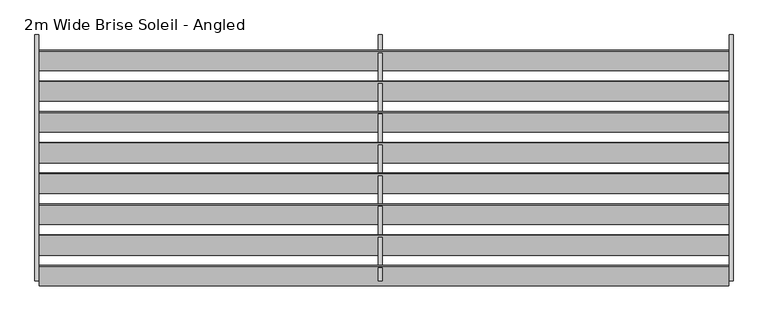
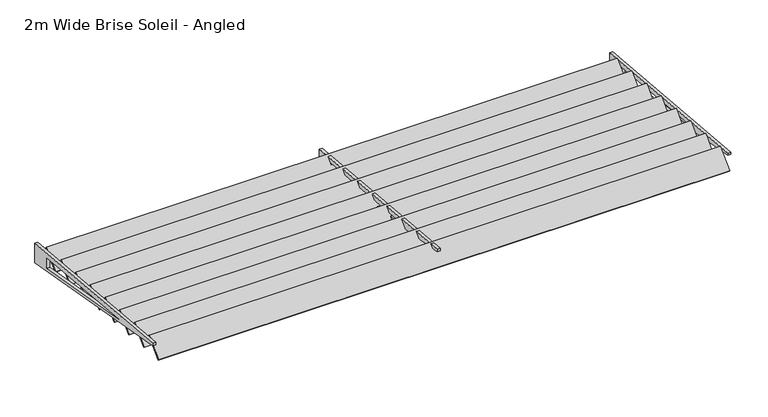
"""IFC4 building model written with IfcOpenShell, lengths in millimetres: railing geometry, 2m Wide Brise Soleil - Angled."""

import ifcopenshell
import ifcopenshell.guid

model = None  # the IFC model being written
_history = None  # IfcOwnerHistory: only IFC2X3 demands one
_inside = {}  # id of a spatial element -> (the spatial element, [elements in it])
_under = {}  # id of a project, library or spatial element -> (it, [spatial elements below it])
_declared = {}  # id of a project -> (the project, [libraries it declares])
_typed = {}  # id of a type object -> (the type object, [elements of that type])
_made_of = {}  # id of a material, layer set ... -> (it, [elements and type objects made of it])


def new_model(schema):
    """Start an empty IFC model of exactly this schema.

    Asked for "IFC4X3", IfcOpenShell would pick the latest addendum, in which some entities
    have other attributes; the version numbers below select the first issue.
    IFC2X3 requires an IfcOwnerHistory on every rooted entity: one is made here for all.
    """
    global model, _history
    if schema == "IFC4X3":
        model = ifcopenshell.file(schema_version=(4, 3, 0, 0))
    else:
        model = ifcopenshell.file(schema=schema)
    _inside.clear()
    _under.clear()
    _declared.clear()
    _typed.clear()
    _made_of.clear()
    _history = None
    if model.schema == "IFC2X3":
        org = make("IfcOrganization", Name="unknown")
        user = make(
            "IfcPersonAndOrganization",
            ThePerson=make("IfcPerson", FamilyName="unknown"),
            TheOrganization=org,
        )
        app = make(
            "IfcApplication",
            ApplicationDeveloper=org,
            Version="unknown",
            ApplicationFullName="unknown",
            ApplicationIdentifier="unknown",
        )
        _history = make(
            "IfcOwnerHistory",
            OwningUser=user,
            OwningApplication=app,
            ChangeAction="ADDED",
            CreationDate=0,
        )
    return model


def make(cls, **values):
    """One entity of the class cls with the attributes given. An attribute that is None is left unset."""
    return model.create_entity(
        cls, **{name: value for name, value in values.items() if value is not None}
    )


def rooted(cls, **values):
    """An entity with a GlobalId (a new one), such as an element, a storey or a relation."""
    return make(cls, GlobalId=ifcopenshell.guid.new(), OwnerHistory=_history, **values)


def si_unit(unit_type, name, prefix=None):
    """IfcSIUnit, for example si_unit("LENGTHUNIT", "METRE", prefix="MILLI")."""
    return make("IfcSIUnit", UnitType=unit_type, Prefix=prefix, Name=name)


def assignment(units):
    """IfcUnitAssignment: the units of a project."""
    return None if units is None else make("IfcUnitAssignment", Units=units)


def point(xyz):
    """IfcCartesianPoint."""
    return None if xyz is None else make("IfcCartesianPoint", Coordinates=xyz)


def direction(xyz):
    """IfcDirection."""
    return None if xyz is None else make("IfcDirection", DirectionRatios=xyz)


def frame(location, z_axis=None, x_axis=None):
    """IfcAxis2Placement3D, a coordinate frame: its origin and axes. An axis left out is left unset."""
    return make(
        "IfcAxis2Placement3D",
        Location=point(location),
        Axis=direction(z_axis),
        RefDirection=direction(x_axis),
    )


def origin():
    """The frame at (0, 0, 0) with its axes left unset."""
    return frame((0.0, 0.0, 0.0))


def place(relative_to, where):
    """IfcLocalPlacement: puts the frame where relative to a parent placement (None: the world)."""
    return make(
        "IfcLocalPlacement", PlacementRelTo=relative_to, RelativePlacement=where
    )


def context(
    kind, dimensions, precision=None, world=None, true_north=None, identifier=None
):
    """IfcGeometricRepresentationContext, for example the 3D "Model" context."""
    return make(
        "IfcGeometricRepresentationContext",
        ContextIdentifier=identifier,
        ContextType=kind,
        CoordinateSpaceDimension=dimensions,
        Precision=precision,
        WorldCoordinateSystem=world,
        TrueNorth=true_north,
    )


def project(units=None, contexts=None):
    """IfcProject with its units and contexts."""
    return rooted(
        "IfcProject",
        Name="project",
        RepresentationContexts=contexts,
        UnitsInContext=assignment(units),
    )


def spatial(cls, under=None, at=None, **own):
    """A site, building, storey or space (cls), placed at a placement, below another one or the project."""
    s = rooted(cls, ObjectPlacement=at, **own)
    if under is not None:
        _under.setdefault(under.id(), (under, []))[1].append(s)
    return s


def polyline(points):
    """IfcPolyline through the points."""
    return make("IfcPolyline", Points=[point(p) for p in points])


def outline(outer, holes=None, kind="AREA"):
    """IfcArbitraryClosedProfileDef: a profile drawn as a closed curve; with holes, ...WithVoids."""
    if holes is None:
        return make("IfcArbitraryClosedProfileDef", ProfileType=kind, OuterCurve=outer)
    return make(
        "IfcArbitraryProfileDefWithVoids",
        ProfileType=kind,
        OuterCurve=outer,
        InnerCurves=holes,
    )


def extrude(swept, where, along, depth):
    """IfcExtrudedAreaSolid: the profile swept, set in the frame where, extruded along a direction by depth."""
    return make(
        "IfcExtrudedAreaSolid",
        SweptArea=swept,
        Position=where,
        ExtrudedDirection=direction(along),
        Depth=depth,
    )


def shape(context_of_items, identifier, shape_type, items):
    """IfcShapeRepresentation: the items that make up one representation, for example the "Body"."""
    return make(
        "IfcShapeRepresentation",
        ContextOfItems=context_of_items,
        RepresentationIdentifier=identifier,
        RepresentationType=shape_type,
        Items=items,
    )


def source(mapping_origin, context_of_items, identifier, shape_type, items):
    """IfcRepresentationMap: a shape defined once, which mapped items show again and again."""
    return make(
        "IfcRepresentationMap",
        MappingOrigin=mapping_origin,
        MappedRepresentation=shape(context_of_items, identifier, shape_type, items),
    )


def transform(
    local_origin,
    x_axis=None,
    y_axis=None,
    z_axis=None,
    scale=None,
    scale2=None,
    scale3=None,
    uniform=True,
):
    """IfcCartesianTransformationOperator3D, or its non-uniform kind. x_axis, y_axis, z_axis: its Axis1, 2, 3."""
    if uniform:
        return make(
            "IfcCartesianTransformationOperator3D",
            Axis1=direction(x_axis),
            Axis2=direction(y_axis),
            LocalOrigin=point(local_origin),
            Scale=scale,
            Axis3=direction(z_axis),
        )
    return make(
        "IfcCartesianTransformationOperator3DnonUniform",
        Axis1=direction(x_axis),
        Axis2=direction(y_axis),
        LocalOrigin=point(local_origin),
        Scale=scale,
        Axis3=direction(z_axis),
        Scale2=scale2,
        Scale3=scale3,
    )


def mapped(mapping_source, mapping_target):
    """IfcMappedItem: shows the shape of a source again, moved by a transform."""
    return make(
        "IfcMappedItem", MappingSource=mapping_source, MappingTarget=mapping_target
    )


def made_of(thing, what):
    """Note that an element or type object is made of a material, layer set ...; save() writes the relation."""
    if what is not None:
        _made_of.setdefault(what.id(), (what, []))[1].append(thing)
    return thing


def element(
    cls,
    number,
    at=None,
    inside=None,
    cuts=None,
    type_object=None,
    material=None,
    context=None,
    identifier="Body",
    shape_type=None,
    held_by="IfcProductDefinitionShape",
    body=None,
    shapes=None,
    **own,
):
    """One element of the class cls, such as IfcWall. Its Tag is "e" and its number.

    at: its placement. inside: the storey or other place that contains it. cuts: it is an
    opening in that element (IfcRelVoidsElement). A single representation is given by context,
    identifier, shape_type and body (its items); several are given by shapes. held_by: the class
    of the entity that holds the representations. save() writes the other relations.
    """
    e = rooted(cls, Tag="e%d" % number, ObjectPlacement=at, **own)
    if body is not None:
        shapes = [shape(context, identifier, shape_type, body)]
    if shapes is not None:
        e.Representation = make(held_by, Representations=shapes)
    if inside is not None:
        _inside.setdefault(inside.id(), (inside, []))[1].append(e)
    if cuts is not None:
        rooted(
            "IfcRelVoidsElement", RelatingBuildingElement=cuts, RelatedOpeningElement=e
        )
    if type_object is not None:
        _typed.setdefault(type_object.id(), (type_object, []))[1].append(e)
    return made_of(e, material)


def aggregate(whole, parts):
    """IfcRelAggregates: a whole, such as a stair, and the parts it consists of."""
    return rooted("IfcRelAggregates", RelatingObject=whole, RelatedObjects=parts)


def save(model, path):
    """Write the relations noted so far, then the file.

    IfcRelAggregates (storeys below a building ...), IfcRelContainedInSpatialStructure (elements
    in a storey), IfcRelDefinesByType, IfcRelAssociatesMaterial and IfcRelDeclares: one each for
    every whole, place, type object, material and project.
    """
    for whole, parts in _under.values():
        aggregate(whole, parts)
    for where, things in _inside.values():
        rooted(
            "IfcRelContainedInSpatialStructure",
            RelatedElements=things,
            RelatingStructure=where,
        )
    for kind, things in _typed.values():
        rooted("IfcRelDefinesByType", RelatedObjects=things, RelatingType=kind)
    for what, things in _made_of.values():
        rooted("IfcRelAssociatesMaterial", RelatedObjects=things, RelatingMaterial=what)
    for by, libraries in _declared.values():
        rooted("IfcRelDeclares", RelatingContext=by, RelatedDefinitions=libraries)
    model.write(path)


def railing_2m_wide_brise_soleil_angled_944c0c30(model_context):
    return source(origin(), model_context, "Body", "SweptSolid", [
        extrude(outline(polyline([(0.0, -10.0000001), (0.0, 0.0), (5596.1382149, 0.0), (5596.1382149, -10.0000001), (0.0, -10.0000001)])), frame((4432.3404491, -35753.4041502, 10.034106), z_axis=(0.0, 0.7071067811931987, 0.7071067811798963), x_axis=(1.0, 0.0, 0.0)), (0.0, 0.0, 1.0), 225.0),
        extrude(outline(polyline([(0.0, -10.0000001), (0.0, 0.0), (5596.1382149, 0.0), (5596.1382149, -10.0000001), (0.0, -10.0000001)])), frame((4432.3404491, -35503.4041502, -9.965894), z_axis=(0.0, 0.7071067811931987, 0.7071067811798963), x_axis=(1.0, 0.0, 0.0)), (0.0, 0.0, 1.0), 225.0),
        extrude(outline(polyline([(0.0, -10.0000001), (0.0, 0.0), (5596.1382149, 0.0), (5596.1382149, -10.0000001), (0.0, -10.0000001)])), frame((4432.3404491, -35253.4041502, -31.965894), z_axis=(0.0, 0.7071067811931987, 0.7071067811798963), x_axis=(1.0, 0.0, 0.0)), (0.0, 0.0, 1.0), 225.0),
        extrude(outline(polyline([(0.0, -10.0000001), (0.0, 0.0), (5596.1382149, 0.0), (5596.1382149, -10.0000001), (0.0, -10.0000001)])), frame((4432.3404491, -35003.4041502, -53.965894), z_axis=(0.0, 0.7071067811931987, 0.7071067811798963), x_axis=(1.0, 0.0, 0.0)), (0.0, 0.0, 1.0), 225.0),
        extrude(outline(polyline([(0.0, -10.0000001), (0.0, 0.0), (5596.1382149, 0.0), (5596.1382149, -10.0000001), (0.0, -10.0000001)])), frame((4432.3404491, -34753.4041502, -75.965894), z_axis=(0.0, 0.7071067811931987, 0.7071067811798963), x_axis=(1.0, 0.0, 0.0)), (0.0, 0.0, 1.0), 225.0),
        extrude(outline(polyline([(0.0, -10.0000001), (0.0, 0.0), (5596.1382149, 0.0), (5596.1382149, -10.0000001), (0.0, -10.0000001)])), frame((4432.3404491, -34503.4041502, -97.965894), z_axis=(0.0, 0.7071067811931987, 0.7071067811798963), x_axis=(1.0, 0.0, 0.0)), (0.0, 0.0, 1.0), 225.0),
        extrude(outline(polyline([(0.0, -10.0000001), (0.0, 0.0), (5596.1382149, 0.0), (5596.1382149, -10.0000001), (0.0, -10.0000001)])), frame((4432.3404491, -34253.4041502, -118.965894), z_axis=(0.0, 0.7071067811931987, 0.7071067811798963), x_axis=(1.0, 0.0, 0.0)), (0.0, 0.0, 1.0), 225.0),
        extrude(outline(polyline([(0.0, -10.0000001), (0.0, 0.0), (5596.1382149, 0.0), (5596.1382149, -10.0000001), (0.0, -10.0000001)])), frame((4432.3404491, -34003.4041502, -139.965894), z_axis=(0.0, 0.7071067811931987, 0.7071067811798963), x_axis=(1.0, 0.0, 0.0)), (0.0, 0.0, 1.0), 225.0),
        extrude(outline(polyline([(-35720.1943586, 174.9773271), (-33720.1943586, 0.0), (-33720.1943586, -200.0), (-35720.1943586, 149.9773271), (-35720.1943586, 174.9773271)]), holes=[polyline([(-33920.1943586, -139.6223905), (-33920.1943586, -32.6932592), (-35142.2415739, 74.2220185), (-33920.1943586, -139.6223905)])]), frame((7184.5476938, 0.0, 0.0), z_axis=(1.0, 0.0, 0.0), x_axis=(0.0, 1.0, 0.0)), (0.0, 0.0, 1.0), 30.0),
        extrude(outline(polyline([(-35720.1943586, 174.9773271), (-33720.1943586, 0.0), (-33720.1943586, -200.0), (-35720.1943586, 149.9773271), (-35720.1943586, 174.9773271)]), holes=[polyline([(-33920.1943586, -139.6223905), (-33920.1943586, -32.6932592), (-35142.2415739, 74.2220185), (-33920.1943586, -139.6223905)])]), frame((10032.6168013, 0.0, 0.0), z_axis=(1.0, 0.0, 0.0), x_axis=(0.0, 1.0, 0.0)), (0.0, 0.0, 1.0), 30.0),
        extrude(outline(polyline([(-35720.1943586, 174.9773271), (-33720.1943586, 0.0), (-33720.1943586, -200.0), (-35720.1943586, 149.9773271), (-35720.1943586, 174.9773271)]), holes=[polyline([(-33920.1943586, -139.6223905), (-33920.1943586, -32.6932592), (-35142.2415739, 74.2220185), (-33920.1943586, -139.6223905)])]), frame((4396.4785864, 0.0, 0.0), z_axis=(1.0, 0.0, 0.0), x_axis=(0.0, 1.0, 0.0)), (0.0, 0.0, 1.0), 30.0),
    ])


if __name__ == "__main__":
    model = new_model("IFC4")
    model_context = context("Model", 3, world=origin())
    ifc_project = project(units=[si_unit("LENGTHUNIT", "METRE", prefix="MILLI")], contexts=[model_context])
    site = spatial("IfcSite", under=ifc_project)
    building = spatial("IfcBuilding", under=site)
    placement = place(None, origin())
    railing_2m_wide_brise_soleil_angled_shape = railing_2m_wide_brise_soleil_angled_944c0c30(model_context)
    element("IfcRailing", 1, ObjectType="2m Wide Brise Soleil - Angled", at=placement, inside=building, context=model_context, shape_type="MappedRepresentation", body=[
        mapped(railing_2m_wide_brise_soleil_angled_shape, transform((0.0, 0.0, 0.0), x_axis=(1.0, 0.0, 0.0), y_axis=(0.0, 1.0, 0.0), z_axis=(0.0, 0.0, 1.0))),
    ])
    save(model, "model.ifc")
